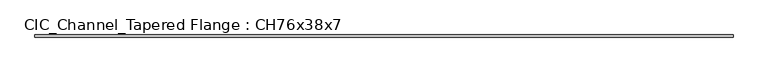
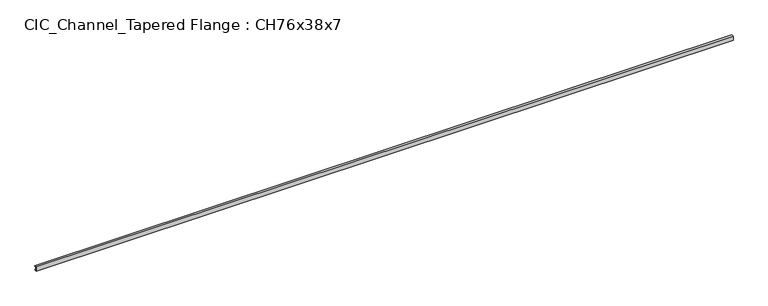
"""IFC4 building model written with IfcOpenShell, lengths in millimetres: beam geometry, CIC_Channel_Tapered Flange : CH76x38x7."""

from ifc_helpers import new_model, si_unit, point, frame, frame_2d, origin, place, context, project, spatial, polyline, circle_curve, trimmed, segment, composite_curve, outline, extrude, source, transform, mapped, element, save


def cic_channel_tapered_flange_ch76x38x7_ba99f78f(model_context):
    return source(origin(), model_context, "Body", "SweptSolid", [
        extrude(outline(composite_curve([segment(polyline([(-11.9, 38.1), (26.2, 38.1)]), True, "CONTINUOUS"), segment(trimmed(circle_curve(frame_2d((19.4, 38.1)), 6.8), [point((26.2, 38.1))], [point((19.4, 31.3))], False, "CARTESIAN"), True, "CONTINUOUS"), segment(polyline([(19.4, 31.3), (-6.8, 27.1503277), (-6.8, -27.1503277), (19.4, -31.3)]), True, "CONTINUOUS"), segment(trimmed(circle_curve(frame_2d((19.4, -38.1)), 6.8), [point((19.4, -31.3))], [point((26.2, -38.1))], False, "CARTESIAN"), True, "CONTINUOUS"), segment(polyline([(26.2, -38.1), (-11.9, -38.1), (-11.9, 38.1)]), True, "CONTINUOUS")], self_intersect=False)), frame((-6172.1, 0.0, 0.0), z_axis=(1.0, 0.0, 0.0), x_axis=(0.0, 1.0, 0.0)), (0.0, 0.0, 1.0), 12344.2),
    ])


if __name__ == "__main__":
    model = new_model("IFC4")
    model_context = context("Model", 3, world=origin())
    ifc_project = project(units=[si_unit("LENGTHUNIT", "METRE", prefix="MILLI")], contexts=[model_context])
    site = spatial("IfcSite", under=ifc_project)
    building = spatial("IfcBuilding", under=site)
    placement = place(None, origin())
    cic_channel_tapered_flange_ch76x38x7_shape = cic_channel_tapered_flange_ch76x38x7_ba99f78f(model_context)
    element("IfcBeam", 1, ObjectType="CIC_Channel_Tapered Flange : CH76x38x7", at=placement, inside=building, context=model_context, shape_type="MappedRepresentation", body=[
        mapped(cic_channel_tapered_flange_ch76x38x7_shape, transform((0.0, 0.0, 0.0), x_axis=(1.0, 0.0, 0.0), y_axis=(0.0, 1.0, 0.0), z_axis=(0.0, 0.0, 1.0))),
    ])
    save(model, "model.ifc")
